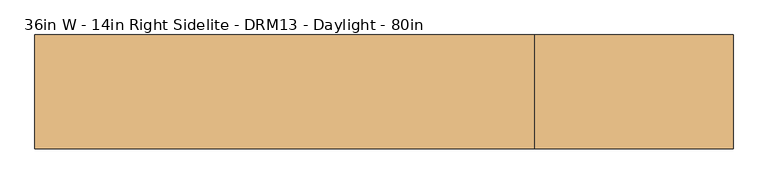
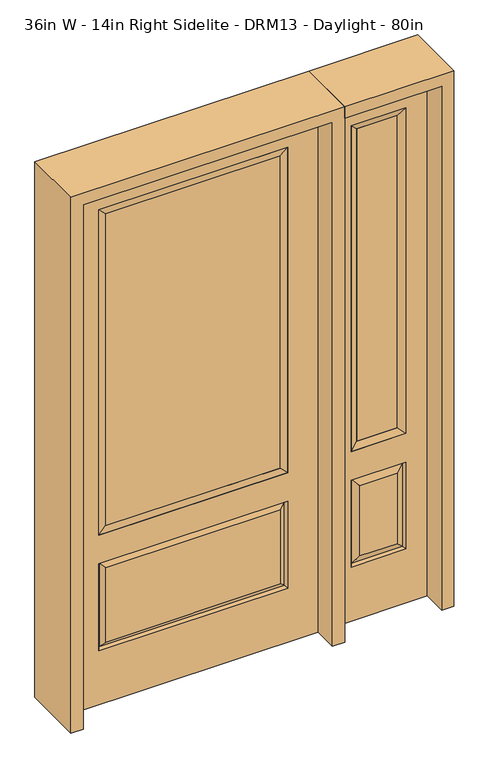
"""IFC4 building model written with IfcOpenShell, lengths in millimetres: door geometry, 36in W - 14in Right Sidelite - DRM13 - Daylight - 80in."""

from ifc_helpers import new_model, si_unit, frame, origin, place, context, project, spatial, polyline, outline, extrude, faceted_brep, source, transform, mapped, element, save


def door_36in_w_14in_right_sidelite_drm13_daylight_80in_6124342f(model_context):
    return source(origin(), model_context, "Body", "SolidModel", [
        faceted_brep([(501.65, -22.225, 0.0), (857.25, -22.225, 0.0), (857.25, -22.225, 2032.0), (501.65, -22.225, 2032.0), (779.78, -22.225, 1919.224), (779.78, -22.225, 657.098), (579.12, -22.225, 657.098), (579.12, -22.225, 1919.224), (779.78, -22.225, 209.55), (579.12, -22.225, 209.55), (579.12, -22.225, 546.1), (779.78, -22.225, 546.1), (610.8351001, -22.225, 241.2651001), (748.0648999, -22.225, 241.2651001), (748.0648999, -22.225, 514.3848999), (610.8351001, -22.225, 514.3848999), (501.65, 22.225, 0.0), (501.65, 22.225, 2032.0), (857.25, 22.225, 2032.0), (857.25, 22.225, 0.0), (779.78, 22.225, 1919.224), (579.12, 22.225, 1919.224), (579.12, 22.225, 657.098), (779.78, 22.225, 657.098), (579.12, 22.225, 209.55), (779.78, 22.225, 209.55), (779.78, 22.225, 546.1), (579.12, 22.225, 546.1), (748.0648999, 22.225, 241.2651001), (610.8351001, 22.225, 241.2651001), (610.8351001, 22.225, 514.3848999), (748.0648999, 22.225, 514.3848999), (772.6711499, 12.7912373, 216.6588501), (586.2288501, 12.7912373, 216.6588501), (586.2288501, 12.7912373, 538.9911499), (772.6711499, 12.7912373, 538.9911499), (586.2288501, -12.7912373, 216.6588501), (772.6711499, -12.7912373, 216.6588501), (586.2288501, -12.7912373, 538.9911499), (772.6711499, -12.7912373, 538.9911499)], [[[0, 1, 2, 3], [4, 5, 6, 7], [8, 9, 10, 11]], [[12, 13, 14, 15]], [[16, 17, 18, 19], [20, 21, 22, 23], [24, 25, 26, 27]], [[28, 29, 30, 31]], [[1, 0, 16, 19]], [[2, 1, 19, 18]], [[3, 2, 18, 17]], [[0, 3, 17, 16]], [[5, 4, 20, 23]], [[6, 5, 23, 22]], [[7, 6, 22, 21]], [[4, 7, 21, 20]], [[32, 33, 29, 28]], [[33, 32, 25, 24]], [[29, 33, 34, 30]], [[33, 24, 27, 34]], [[30, 34, 35, 31]], [[34, 27, 26, 35]], [[32, 28, 31, 35]], [[25, 32, 35, 26]], [[12, 36, 37, 13]], [[37, 36, 9, 8]], [[36, 12, 15, 38]], [[9, 36, 38, 10]], [[38, 15, 14, 39]], [[10, 38, 39, 11]], [[13, 37, 39, 14]], [[37, 8, 11, 39]]]),
        faceted_brep([(579.12, 22.225, 1919.224), (579.12, -22.225, 1919.224), (779.78, -22.225, 1919.224), (779.78, 22.225, 1919.224), (604.52, 12.7, 1893.824), (754.38, 12.7, 1893.824), (604.52, -12.7, 1893.824), (754.38, -12.7, 1893.824), (779.78, -22.225, 657.098), (779.78, 22.225, 657.098), (754.38, 12.7, 682.498), (754.38, -12.7, 682.498), (579.12, -22.225, 657.098), (579.12, 22.225, 657.098), (604.52, 12.7, 682.498), (604.52, -12.7, 682.498)], [[[0, 1, 2, 3]], [[4, 0, 3, 5]], [[6, 4, 5, 7]], [[1, 6, 7, 2]], [[3, 2, 8, 9]], [[5, 3, 9, 10]], [[7, 5, 10, 11]], [[2, 7, 11, 8]], [[9, 8, 12, 13]], [[10, 9, 13, 14]], [[11, 10, 14, 15]], [[8, 11, 15, 12]], [[13, 12, 1, 0]], [[14, 13, 0, 4]], [[15, 14, 4, 6]], [[12, 15, 6, 1]]]),
        extrude(outline(polyline([(754.38, -12.7), (604.52, -12.7), (604.52, 12.7), (754.38, 12.7), (754.38, -12.7)])), frame((0.0, 0.0, 682.498), z_axis=(0.0, 0.0, 1.0), x_axis=(1.0, 0.0, 0.0)), (0.0, 0.0, 1.0), 1211.326),
        faceted_brep([(-338.9661499, -12.7912373, 216.6588501), (338.9661499, -12.7912373, 216.6588501), (321.46875, -22.225, 234.15625), (-321.46875, -22.225, 234.15625), (-346.075, -22.225, 209.55), (346.075, -22.225, 209.55), (-338.9661499, -12.7912373, 538.9911499), (-346.075, -22.225, 546.1), (321.46875, -22.225, 521.49375), (-321.46875, -22.225, 521.49375), (457.2, -22.225, 2032.0), (-457.2, -22.225, 2032.0), (-457.2, -22.225, 0.0), (457.2, -22.225, 0.0), (346.075, -22.225, 546.1), (346.075, -22.225, 1917.7), (346.075, -22.225, 657.098), (-346.075, -22.225, 657.098), (-346.075, -22.225, 1917.7), (338.9661499, -12.7912373, 538.9911499), (-457.2, 22.225, 2032.0), (-457.2, 22.225, 0.0), (457.2, 22.225, 0.0), (457.2, 22.225, 2032.0), (346.075, 22.225, 1917.7), (346.075, 22.225, 657.098), (-346.075, 22.225, 657.098), (-346.075, 22.225, 1917.7), (-346.075, 22.225, 209.55), (346.075, 22.225, 209.55), (346.075, 22.225, 546.1), (-346.075, 22.225, 546.1), (321.46875, 22.225, 234.15625), (-321.46875, 22.225, 234.15625), (-321.46875, 22.225, 521.49375), (321.46875, 22.225, 521.49375), (-338.9661499, 12.7912373, 216.6588501), (338.9661499, 12.7912373, 216.6588501), (338.9661499, 12.7912373, 538.9911499), (-338.9661499, 12.7912373, 538.9911499)], [[[0, 1, 2, 3]], [[1, 0, 4, 5]], [[4, 0, 6, 7]], [[3, 2, 8, 9]], [[10, 11, 12, 13], [5, 4, 7, 14], [15, 16, 17, 18]], [[1, 5, 14, 19]], [[2, 1, 19, 8]], [[0, 3, 9, 6]], [[7, 6, 19, 14]], [[6, 9, 8, 19]], [[12, 11, 20, 21]], [[13, 12, 21, 22]], [[10, 13, 22, 23]], [[16, 15, 24, 25]], [[17, 16, 25, 26]], [[18, 17, 26, 27]], [[23, 22, 21, 20], [28, 29, 30, 31], [24, 27, 26, 25]], [[32, 33, 34, 35]], [[28, 36, 37, 29]], [[29, 37, 38, 30]], [[39, 31, 30, 38]], [[36, 28, 31, 39]], [[37, 36, 33, 32]], [[33, 36, 39, 34]], [[34, 39, 38, 35]], [[37, 32, 35, 38]], [[11, 10, 23, 20]], [[15, 18, 27, 24]]]),
        faceted_brep([(-346.075, -22.225, 1917.7), (-346.075, 22.225, 1917.7), (-346.075, 22.225, 657.098), (-346.075, -22.225, 657.098), (346.075, 22.225, 657.098), (346.075, -22.225, 657.098), (-320.675, 5.08, 682.498), (320.675, 5.08, 682.498), (346.075, 22.225, 1917.7), (346.075, -22.225, 1917.7), (-320.675, -20.32, 682.498), (320.675, -20.32, 682.498), (-320.675, -20.32, 1892.3), (320.675, -20.32, 1892.3), (-320.675, 5.08, 1892.3), (320.675, 5.08, 1892.3)], [[[0, 1, 2, 3]], [[3, 2, 4, 5]], [[2, 6, 7, 4]], [[5, 4, 8, 9]], [[10, 3, 5, 11]], [[12, 0, 3, 10]], [[11, 5, 9, 13]], [[6, 10, 11, 7]], [[14, 12, 10, 6]], [[7, 11, 13, 15]], [[1, 14, 6, 2]], [[4, 7, 15, 8]], [[9, 8, 1, 0]], [[13, 9, 0, 12]], [[15, 13, 12, 14]], [[8, 15, 14, 1]]]),
        extrude(outline(polyline([(320.675, -20.32), (-320.675, -20.32), (-320.675, 5.08), (320.675, 5.08), (320.675, -20.32)])), frame((0.0, 0.0, 682.498), z_axis=(0.0, 0.0, 1.0), x_axis=(1.0, 0.0, 0.0)), (0.0, 0.0, 1.0), 1209.802),
        extrude(outline(polyline([(2076.45, -501.65), (0.0, -501.65), (0.0, -457.2), (2032.0, -457.2), (2032.0, 457.2), (0.0, 457.2), (0.0, 501.65), (2076.45, 501.65), (2076.45, -501.65)])), frame((0.0, -114.3, 0.0), z_axis=(0.0, 1.0, 0.0), x_axis=(0.0, 0.0, 1.0)), (0.0, 0.0, 1.0), 228.6),
        extrude(outline(polyline([(0.0, 857.25), (0.0, 901.7), (2076.45, 901.7), (2076.45, 501.65), (2032.0, 501.65), (2032.0, 857.25), (0.0, 857.25)])), frame((0.0, -114.3, 0.0), z_axis=(0.0, 1.0, 0.0), x_axis=(0.0, 0.0, 1.0)), (0.0, 0.0, 1.0), 228.6),
    ])


if __name__ == "__main__":
    model = new_model("IFC4")
    model_context = context("Model", 3, world=origin())
    ifc_project = project(units=[si_unit("LENGTHUNIT", "METRE", prefix="MILLI")], contexts=[model_context])
    site = spatial("IfcSite", under=ifc_project)
    building = spatial("IfcBuilding", under=site)
    placement = place(None, origin())
    door_36in_w_14in_right_sidelite_drm13_daylight_80in_shape = door_36in_w_14in_right_sidelite_drm13_daylight_80in_6124342f(model_context)
    element("IfcDoor", 1, ObjectType="36in W - 14in Right Sidelite - DRM13 - Daylight - 80in", at=placement, inside=building, context=model_context, shape_type="MappedRepresentation", body=[
        mapped(door_36in_w_14in_right_sidelite_drm13_daylight_80in_shape, transform((0.0, 0.0, 0.0), x_axis=(1.0, 0.0, 0.0), y_axis=(0.0, 1.0, 0.0), z_axis=(0.0, 0.0, 1.0))),
    ])
    save(model, "model.ifc")
